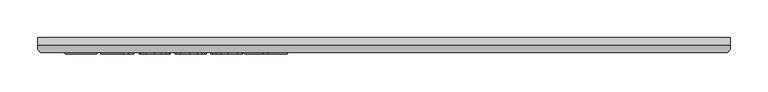
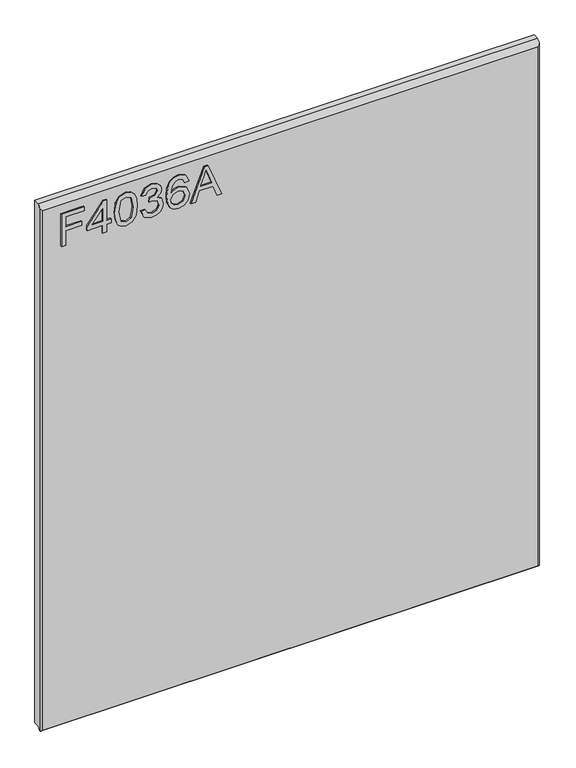
"""IFC4 building model written with IfcOpenShell, lengths in millimetres: furniture geometry."""

from ifc_helpers import new_model, si_unit, frame, origin, place, context, project, spatial, polyline, outline, extrude, faceted_brep, source, transform, mapped, element, save


def furniture_3ce7d16d(model_context):
    return source(origin(), model_context, "Body", "SolidModel", [
        extrude(outline(polyline([(2030.5117188, -402.3821872), (2030.5117188, -394.5668026), (2058.842488, -394.5668026), (2058.842488, -365.2591103), (2066.6578726, -365.2591103), (2066.6578726, -394.5668026), (2085.2194111, -394.5668026), (2085.2194111, -360.3744949), (2093.0347957, -360.3744949), (2093.0347957, -402.3821872), (2030.5117188, -402.3821872)])), frame((0.0, -21.9273437, 0.0), z_axis=(0.0, 1.0, 0.0), x_axis=(0.0, 0.0, 1.0)), (0.0, 0.0, 1.0), 2.38125),
        extrude(outline(polyline([(2030.5117188, -327.1591103), (2030.5117188, -319.3437257), (2045.1655649, -319.3437257), (2045.1655649, -311.528341), (2052.9809495, -311.528341), (2052.9809495, -319.3437257), (2092.0578726, -319.3437257), (2092.0578726, -325.2052641), (2052.9809495, -355.4898795), (2045.1655649, -355.4898795), (2045.1655649, -327.1591103), (2030.5117188, -327.1591103)]), holes=[polyline([(2052.9809495, -327.1591103), (2052.9809495, -345.873293), (2077.1292668, -327.1591103), (2052.9809495, -327.1591103)])]), frame((0.0, -21.9273438, 0.0), z_axis=(0.0, 1.0, 0.0), x_axis=(0.0, 0.0, 1.0)), (0.0, 0.0, 1.0), 2.38125),
        extrude(outline(polyline([(2061.2695313, -304.6898795), (2046.0623498, -303.1329084), (2035.4879207, -298.4619949), (2031.0230769, -292.295168), (2029.5347957, -284.1744949), (2032.9616587, -272.7338098), (2043.3567308, -265.9335093), (2061.2695313, -263.6591103), (2075.9615385, -265.0787016), (2085.2117788, -268.7421632), (2091.0198918, -275.0463699), (2093.0347957, -284.1744949), (2089.6308293, -295.5693867), (2079.2586538, -302.3925838), (2061.2695313, -304.6898795)]), holes=[polyline([(2061.2847957, -296.8744949), (2081.0369591, -293.088918), (2085.2194111, -284.2660814), (2080.4721755, -275.015841), (2061.2847957, -271.4744949), (2041.8913462, -275.1379564), (2037.3501803, -284.1744949), (2041.8760817, -293.2110334), (2061.2847957, -296.8744949)])]), frame((0.0, -21.9273438, 0.0), z_axis=(0.0, 1.0, 0.0), x_axis=(0.0, 0.0, 1.0)), (0.0, 0.0, 1.0), 2.38125),
        extrude(outline(polyline([(2047.1194111, -256.8206487), (2034.4346755, -250.6080285), (2029.5347957, -236.9005766), (2030.9696514, -228.5471211), (2035.2742188, -221.7735334), (2041.6394832, -217.285793), (2049.2564303, -215.7898795), (2059.4225361, -218.7817064), (2064.7650841, -227.2992545), (2069.9397236, -220.8881968), (2077.1445313, -218.7206487), (2085.0286058, -221.00268), (2090.8901442, -227.5969108), (2093.0347957, -237.022692), (2088.6844351, -249.4479324), (2076.4271034, -255.8437257), (2075.4501803, -248.028341), (2082.7771034, -244.1969709), (2085.2194111, -236.7479324), (2082.8, -229.3904805), (2076.6865986, -226.5360334), (2069.7870793, -230.4742545), (2067.6347957, -240.594567), (2059.8194111, -241.4646391), (2060.6742188, -235.9847112), (2057.4763221, -227.100817), (2049.3938101, -223.6052641), (2040.8152043, -227.1313459), (2037.3501803, -236.625817), (2039.8688101, -244.6930646), (2048.0963341, -249.0052641), (2047.1194111, -256.8206487)])), frame((0.0, -21.9273437, 0.0), z_axis=(0.0, 1.0, 0.0), x_axis=(0.0, 0.0, 1.0)), (0.0, 0.0, 1.0), 2.38125),
        extrude(outline(polyline([(2076.4271034, -168.8975718), (2088.6233774, -174.6675237), (2093.0347957, -187.016442), (2091.2526743, -196.0873254), (2085.9063101, -203.0898795), (2075.2631911, -208.2187257), (2059.6972957, -209.928341), (2045.8524639, -208.3885424), (2036.5564303, -203.7691463), (2031.2902043, -196.7074426), (2029.5347957, -187.8407209), (2032.1831731, -177.598293), (2039.8153846, -170.5003362), (2050.5996995, -167.9206487), (2064.9940505, -173.4005766), (2070.5655649, -186.6806247), (2068.5277644, -195.2210694), (2062.2922476, -202.1129564), (2076.2210337, -199.8919829), (2083.3266226, -194.557067), (2085.2194111, -187.5049035), (2081.9680889, -179.6742545), (2075.4501803, -176.7129564), (2076.4271034, -168.8975718)]), holes=[polyline([(2050.7218149, -202.1129564), (2059.4301683, -198.2281608), (2062.7501803, -188.7718507), (2059.4301683, -179.1934252), (2050.3402043, -175.7360334), (2040.8457332, -179.2392184), (2037.3501803, -188.4512978), (2039.036899, -195.495829), (2043.9520433, -200.3041223), (2050.7218149, -202.1129564)])]), frame((0.0, -21.9273438, 0.0), z_axis=(0.0, 1.0, 0.0), x_axis=(0.0, 0.0, 1.0)), (0.0, 0.0, 1.0), 2.38125),
        extrude(outline(polyline([(2030.5117188, -165.4325478), (2030.5117188, -157.1744949), (2050.0501803, -150.0307449), (2050.0501803, -124.2796632), (2030.5117188, -117.1206487), (2030.5117188, -108.8625959), (2093.0347957, -133.8199276), (2093.0347957, -140.475216), (2030.5117188, -165.4325478)]), holes=[polyline([(2057.8655649, -147.1610334), (2074.5801082, -141.0399997), (2085.2194111, -137.1475718), (2073.2368389, -132.7666824), (2057.8655649, -127.1341103), (2057.8655649, -147.1610334)])]), frame((0.0, -21.9273437, 0.0), z_axis=(0.0, 1.0, 0.0), x_axis=(0.0, 0.0, 1.0)), (0.0, 0.0, 1.0), 2.38125),
        faceted_brep([(475.9377049, 0.0, 2119.4117187), (-438.4622951, 0.0, 2119.4117187), (-438.4622951, -10.0314449, 2119.4117187), (475.9377049, -10.0314449, 2119.4117187), (-438.4622951, 0.0, 1108.2647062), (475.9377049, 0.0, 1108.2647062), (475.9377049, -10.0314449, 1108.2647062), (-438.4622951, -10.0314449, 1108.2647062), (-438.4622951, -15.7726273, 1102.5235239), (-438.4622951, -15.7726273, 2113.6705364), (-435.2959807, -19.5460937, 1105.0897062), (472.7713906, -19.5460937, 1105.0897062), (472.7713906, -19.5460937, 2109.8970699), (-435.2959807, -19.5460937, 2109.8970699), (475.9377049, -15.7726273, 2113.6705364), (475.9377049, -15.7726273, 1102.5235239), (-437.9514364, -16.3814449, 1101.9147062), (475.4268462, -16.3814449, 1101.9147062)], [[[0, 1, 2, 3]], [[4, 5, 6, 7]], [[1, 4, 7, 8, 9, 2]], [[10, 11, 12, 13]], [[5, 0, 3, 14, 15, 6]], [[1, 0, 5, 4]], [[11, 10, 16, 17]], [[7, 6, 15, 17, 16, 8]], [[3, 2, 9, 13, 12, 14]], [[9, 8, 16, 10, 13]], [[12, 11, 17, 15, 14]]]),
    ])


if __name__ == "__main__":
    model = new_model("IFC4")
    model_context = context("Model", 3, world=origin())
    ifc_project = project(units=[si_unit("LENGTHUNIT", "METRE", prefix="MILLI")], contexts=[model_context])
    site = spatial("IfcSite", under=ifc_project)
    building = spatial("IfcBuilding", under=site)
    placement = place(None, origin())
    furniture_shape = furniture_3ce7d16d(model_context)
    element("IfcFurniture", 1, at=placement, inside=building, context=model_context, shape_type="MappedRepresentation", body=[
        mapped(furniture_shape, transform((0.0, 0.0, 0.0), x_axis=(1.0, 0.0, 0.0), y_axis=(0.0, 1.0, 0.0), z_axis=(0.0, 0.0, 1.0))),
    ])
    save(model, "model.ifc")
